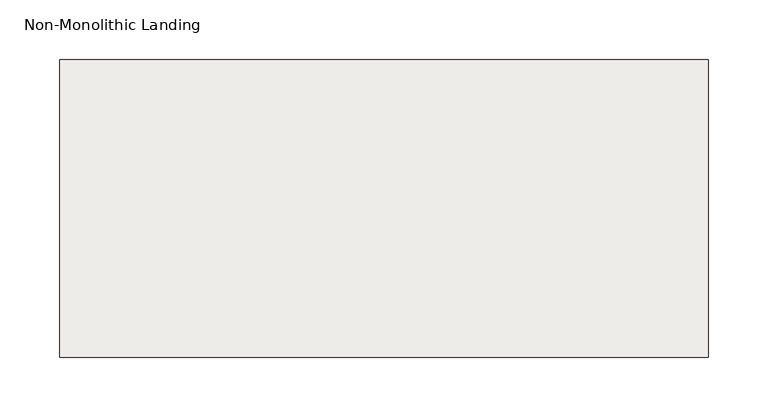
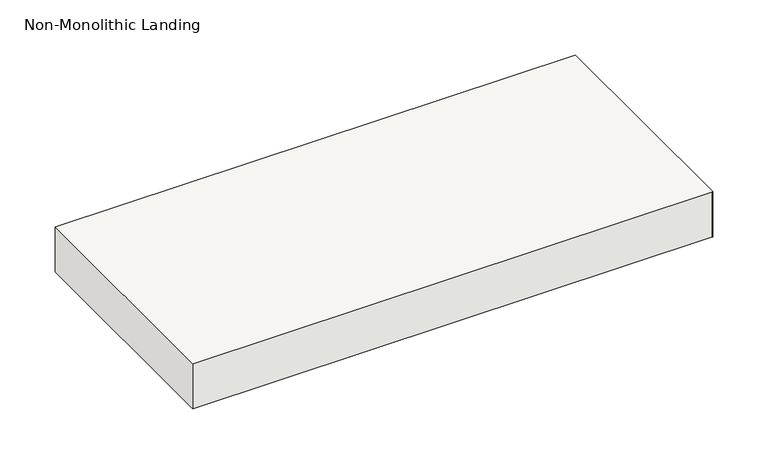
"""IFC4 building model written with IfcOpenShell, lengths in millimetres: slab geometry, Non-Monolithic Landing."""

from ifc_helpers import new_model, si_unit, frame, origin, place, context, project, spatial, polyline, outline, extrude, source, transform, mapped, element, save


def non_monolithic_landing_a4ec80a4(model_context):
    return source(origin(), model_context, "Body", "SweptSolid", [
        extrude(outline(polyline([(1903.7691019, 9072.6134584), (1903.7691019, 9322.6134584), (2448.7691019, 9322.6134584), (2448.7691019, 9072.6134584), (2447.4035594, 9072.6134584), (1903.7691019, 9072.6134584)])), frame((0.0, 0.0, 490.0), z_axis=(0.0, 0.0, 1.0), x_axis=(1.0, 0.0, 0.0)), (0.0, 0.0, 1.0), 50.0),
    ])


if __name__ == "__main__":
    model = new_model("IFC4")
    model_context = context("Model", 3, world=origin())
    ifc_project = project(units=[si_unit("LENGTHUNIT", "METRE", prefix="MILLI")], contexts=[model_context])
    site = spatial("IfcSite", under=ifc_project)
    building = spatial("IfcBuilding", under=site)
    placement = place(None, origin())
    non_monolithic_landing_shape = non_monolithic_landing_a4ec80a4(model_context)
    element("IfcSlab", 1, ObjectType="Non-Monolithic Landing", at=placement, inside=building, context=model_context, shape_type="MappedRepresentation", body=[
        mapped(non_monolithic_landing_shape, transform((0.0, 0.0, 0.0), x_axis=(1.0, 0.0, 0.0), y_axis=(0.0, 1.0, 0.0), z_axis=(0.0, 0.0, 1.0))),
    ])
    save(model, "model.ifc")
